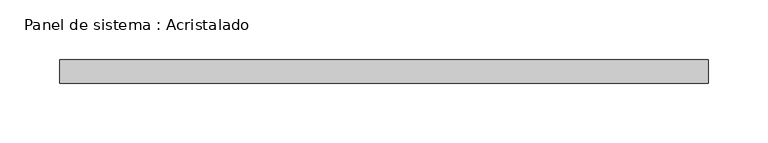
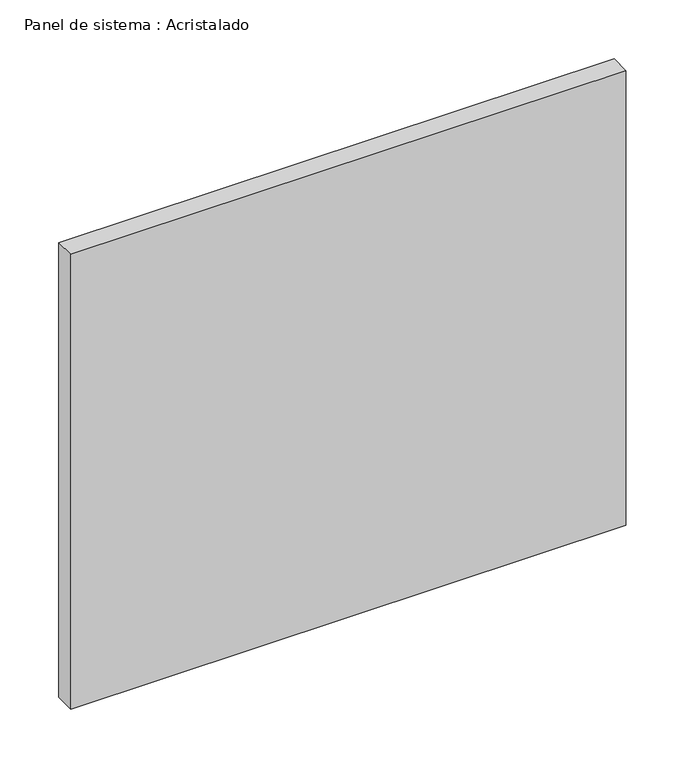
"""IFC4 building model written with IfcOpenShell, lengths in millimetres: plate geometry, Panel de sistema : Acristalado."""

from ifc_helpers import new_model, si_unit, origin, origin_with_axes, place, context, project, spatial, polyline, outline, extrude, source, transform, mapped, element, save


def panel_de_sistema_acristalado_4044ed02(model_context):
    return source(origin(), model_context, "Body", "SweptSolid", [
        extrude(outline(polyline([(272.5, -10.0), (-272.5, -10.0), (-272.5, 10.0), (272.5, 10.0), (272.5, -10.0)])), origin_with_axes(), (0.0, 0.0, 1.0), 472.0),
    ])


if __name__ == "__main__":
    model = new_model("IFC4")
    model_context = context("Model", 3, world=origin())
    ifc_project = project(units=[si_unit("LENGTHUNIT", "METRE", prefix="MILLI")], contexts=[model_context])
    site = spatial("IfcSite", under=ifc_project)
    building = spatial("IfcBuilding", under=site)
    placement = place(None, origin())
    panel_de_sistema_acristalado_shape = panel_de_sistema_acristalado_4044ed02(model_context)
    element("IfcPlate", 1, ObjectType="Panel de sistema : Acristalado", at=placement, inside=building, context=model_context, shape_type="MappedRepresentation", body=[
        mapped(panel_de_sistema_acristalado_shape, transform((0.0, 0.0, 0.0), x_axis=(1.0, 0.0, 0.0), y_axis=(0.0, 1.0, 0.0), z_axis=(0.0, 0.0, 1.0))),
    ])
    save(model, "model.ifc")
